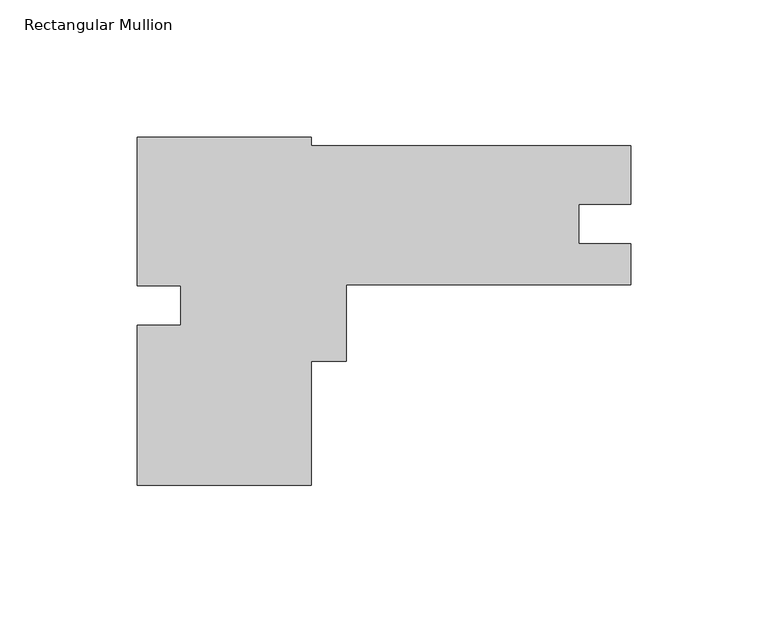
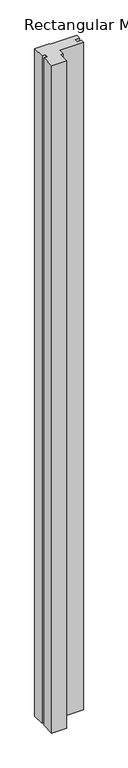
"""IFC4 building model written with IfcOpenShell, lengths in millimetres: member geometry, Rectangular Mullion."""

from ifc_helpers import new_model, si_unit, frame, origin, place, context, project, spatial, polyline, outline, extrude, source, transform, mapped, element, save


def rectangular_mullion_d397c0ae(model_context):
    return source(origin(), model_context, "Body", "SweptSolid", [
        extrude(outline(polyline([(-116.5860013, -71.5098747), (-180.0860013, -71.5098747), (-180.0860013, -13.1328034), (-164.2110013, -13.1328034), (-164.2110013, 1.2738253), (-180.0860013, 1.2738253), (-180.0860013, 55.4901253), (-116.5860013, 55.4901253), (-116.5860013, 52.3671329), (-1.3e-06, 52.3671329), (-1.3e-06, 30.9803263), (-19.0246, 30.9803263), (-19.0246, 16.6674329), (0.0, 16.6674329), (0.0, 1.5671329), (-103.8860013, 1.5671329), (-103.8860013, -26.2661247), (-116.5860013, -26.2661247), (-116.5860013, -71.5098747)])), frame((0.0, 0.0, -3048.0), z_axis=(0.0, 0.0, 1.0), x_axis=(1.0, 0.0, 0.0)), (0.0, 0.0, 1.0), 3048.0),
    ])


if __name__ == "__main__":
    model = new_model("IFC4")
    model_context = context("Model", 3, world=origin())
    ifc_project = project(units=[si_unit("LENGTHUNIT", "METRE", prefix="MILLI")], contexts=[model_context])
    site = spatial("IfcSite", under=ifc_project)
    building = spatial("IfcBuilding", under=site)
    placement = place(None, origin())
    rectangular_mullion_shape = rectangular_mullion_d397c0ae(model_context)
    element("IfcMember", 1, ObjectType="Rectangular Mullion", at=placement, inside=building, context=model_context, shape_type="MappedRepresentation", body=[
        mapped(rectangular_mullion_shape, transform((0.0, 0.0, 0.0), x_axis=(1.0, 0.0, 0.0), y_axis=(0.0, 1.0, 0.0), z_axis=(0.0, 0.0, 1.0))),
    ])
    save(model, "model.ifc")
